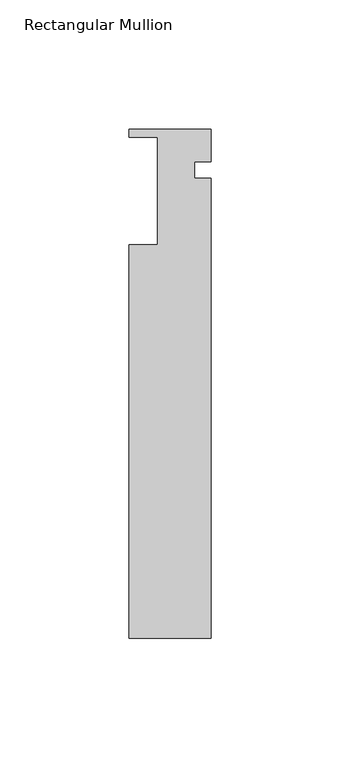
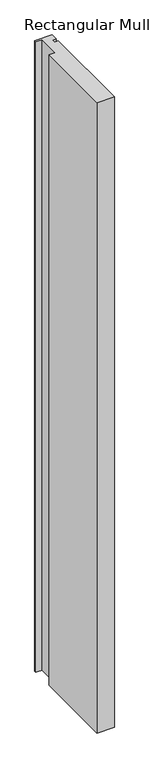
"""IFC4 building model written with IfcOpenShell, lengths in millimetres: member geometry, Rectangular Mullion."""

from ifc_helpers import new_model, si_unit, frame, origin, place, context, project, spatial, polyline, outline, extrude, source, transform, mapped, element, save


def rectangular_mullion_eb122031(model_context):
    return source(origin(), model_context, "Body", "SweptSolid", [
        extrude(outline(polyline([(-31.7499986, 7.9535364), (0.0, 7.9440136), (-0.0038091, -4.7559858), (-6.3538088, -4.7540812), (-6.3557134, -11.104081), (-0.0057137, -11.1059855), (-0.059148, -189.2615741), (-31.8091466, -189.2520513), (-31.7634319, -36.8345203), (-20.6382324, -36.8378571), (-20.6257493, 4.7820301), (-31.7509492, 4.7841399), (-31.7499986, 7.9535364)])), frame((0.0, 0.0, -1219.2), z_axis=(0.0, 0.0, 1.0), x_axis=(1.0, 0.0, 0.0)), (0.0, 0.0, 1.0), 1219.2),
    ])


if __name__ == "__main__":
    model = new_model("IFC4")
    model_context = context("Model", 3, world=origin())
    ifc_project = project(units=[si_unit("LENGTHUNIT", "METRE", prefix="MILLI")], contexts=[model_context])
    site = spatial("IfcSite", under=ifc_project)
    building = spatial("IfcBuilding", under=site)
    placement = place(None, origin())
    rectangular_mullion_shape = rectangular_mullion_eb122031(model_context)
    element("IfcMember", 1, ObjectType="Rectangular Mullion", at=placement, inside=building, context=model_context, shape_type="MappedRepresentation", body=[
        mapped(rectangular_mullion_shape, transform((0.0, 0.0, 0.0), x_axis=(1.0, 0.0, 0.0), y_axis=(0.0, 1.0, 0.0), z_axis=(0.0, 0.0, 1.0))),
    ])
    save(model, "model.ifc")
